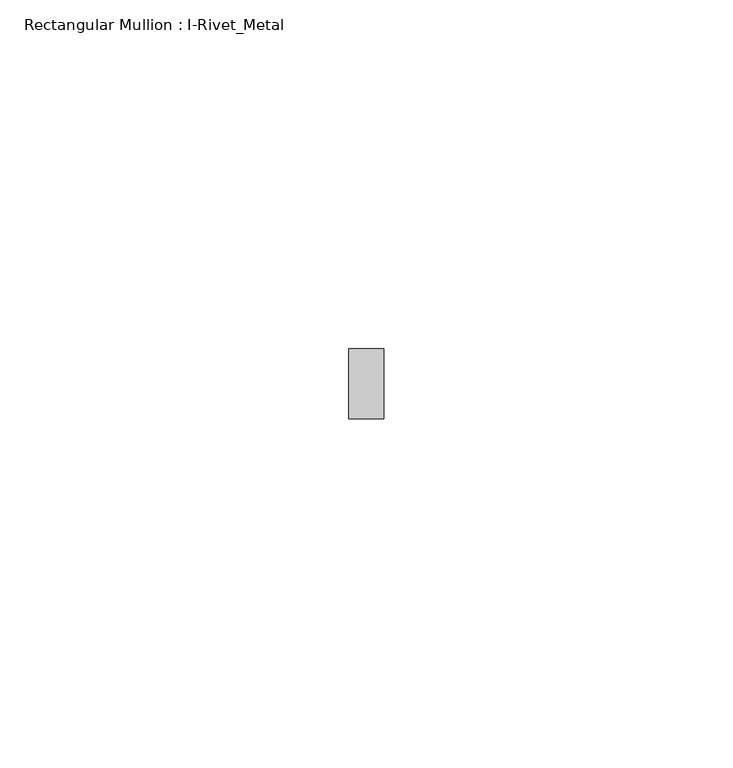
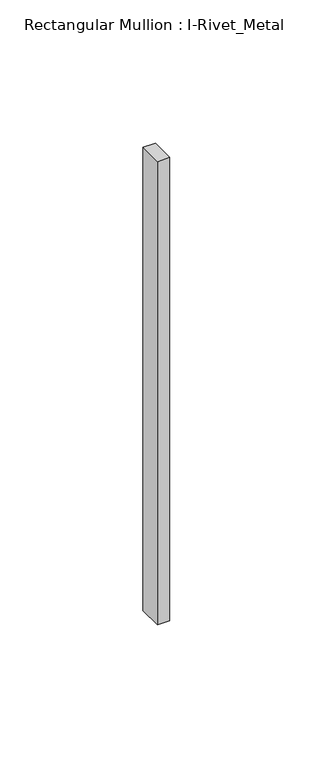
"""IFC4 building model written with IfcOpenShell, lengths in millimetres: member geometry, Rectangular Mullion : I-Rivet_Metal."""

from ifc_helpers import new_model, si_unit, frame, origin, place, context, project, spatial, polyline, outline, extrude, source, transform, mapped, element, save


def rectangular_mullion_i_rivet_metal_fd461f5b(model_context):
    return source(origin(), model_context, "Body", "SweptSolid", [
        extrude(outline(polyline([(2.5, 70.0), (-2.5, 70.0), (-2.5, 80.0), (2.5, 80.0), (2.5, 70.0)])), frame((0.0, 0.0, -197.5), z_axis=(0.0, 0.0, 1.0), x_axis=(1.0, 0.0, 0.0)), (0.0, 0.0, 1.0), 197.5),
    ])


if __name__ == "__main__":
    model = new_model("IFC4")
    model_context = context("Model", 3, world=origin())
    ifc_project = project(units=[si_unit("LENGTHUNIT", "METRE", prefix="MILLI")], contexts=[model_context])
    site = spatial("IfcSite", under=ifc_project)
    building = spatial("IfcBuilding", under=site)
    placement = place(None, origin())
    rectangular_mullion_i_rivet_metal_shape = rectangular_mullion_i_rivet_metal_fd461f5b(model_context)
    element("IfcMember", 1, ObjectType="Rectangular Mullion : I-Rivet_Metal", at=placement, inside=building, context=model_context, shape_type="MappedRepresentation", body=[
        mapped(rectangular_mullion_i_rivet_metal_shape, transform((0.0, 0.0, 0.0), x_axis=(1.0, 0.0, 0.0), y_axis=(0.0, 1.0, 0.0), z_axis=(0.0, 0.0, 1.0))),
    ])
    save(model, "model.ifc")
